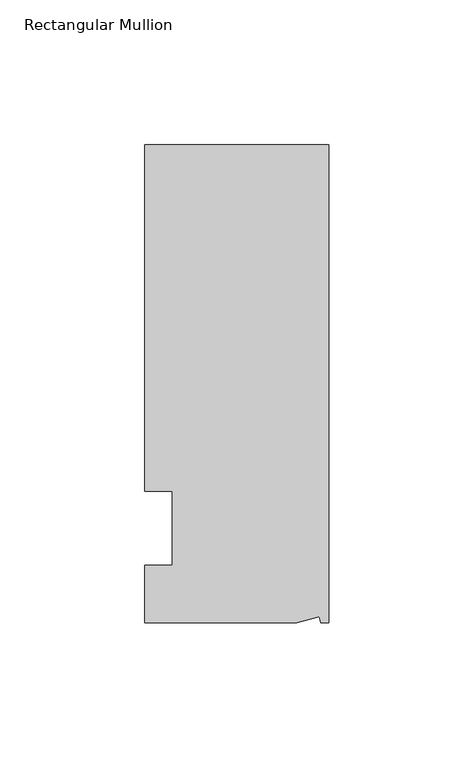
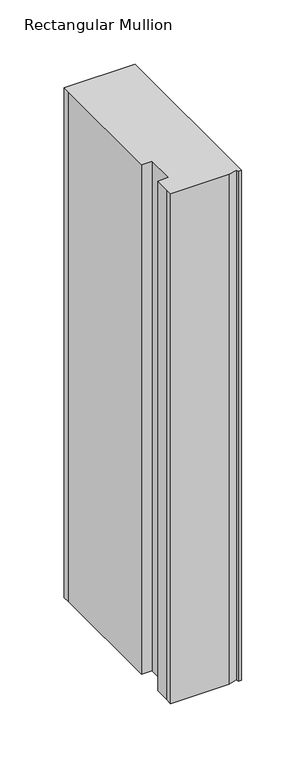
"""IFC4 building model written with IfcOpenShell, lengths in millimetres: member geometry, Rectangular Mullion."""

import ifcopenshell
import ifcopenshell.guid

model = None  # the IFC model being written
_history = None  # IfcOwnerHistory: only IFC2X3 demands one
_inside = {}  # id of a spatial element -> (the spatial element, [elements in it])
_under = {}  # id of a project, library or spatial element -> (it, [spatial elements below it])
_declared = {}  # id of a project -> (the project, [libraries it declares])
_typed = {}  # id of a type object -> (the type object, [elements of that type])
_made_of = {}  # id of a material, layer set ... -> (it, [elements and type objects made of it])


def new_model(schema):
    """Start an empty IFC model of exactly this schema.

    Asked for "IFC4X3", IfcOpenShell would pick the latest addendum, in which some entities
    have other attributes; the version numbers below select the first issue.
    IFC2X3 requires an IfcOwnerHistory on every rooted entity: one is made here for all.
    """
    global model, _history
    if schema == "IFC4X3":
        model = ifcopenshell.file(schema_version=(4, 3, 0, 0))
    else:
        model = ifcopenshell.file(schema=schema)
    _inside.clear()
    _under.clear()
    _declared.clear()
    _typed.clear()
    _made_of.clear()
    _history = None
    if model.schema == "IFC2X3":
        org = make("IfcOrganization", Name="unknown")
        user = make(
            "IfcPersonAndOrganization",
            ThePerson=make("IfcPerson", FamilyName="unknown"),
            TheOrganization=org,
        )
        app = make(
            "IfcApplication",
            ApplicationDeveloper=org,
            Version="unknown",
            ApplicationFullName="unknown",
            ApplicationIdentifier="unknown",
        )
        _history = make(
            "IfcOwnerHistory",
            OwningUser=user,
            OwningApplication=app,
            ChangeAction="ADDED",
            CreationDate=0,
        )
    return model


def make(cls, **values):
    """One entity of the class cls with the attributes given. An attribute that is None is left unset."""
    return model.create_entity(
        cls, **{name: value for name, value in values.items() if value is not None}
    )


def rooted(cls, **values):
    """An entity with a GlobalId (a new one), such as an element, a storey or a relation."""
    return make(cls, GlobalId=ifcopenshell.guid.new(), OwnerHistory=_history, **values)


def si_unit(unit_type, name, prefix=None):
    """IfcSIUnit, for example si_unit("LENGTHUNIT", "METRE", prefix="MILLI")."""
    return make("IfcSIUnit", UnitType=unit_type, Prefix=prefix, Name=name)


def assignment(units):
    """IfcUnitAssignment: the units of a project."""
    return None if units is None else make("IfcUnitAssignment", Units=units)


def point(xyz):
    """IfcCartesianPoint."""
    return None if xyz is None else make("IfcCartesianPoint", Coordinates=xyz)


def direction(xyz):
    """IfcDirection."""
    return None if xyz is None else make("IfcDirection", DirectionRatios=xyz)


def frame(location, z_axis=None, x_axis=None):
    """IfcAxis2Placement3D, a coordinate frame: its origin and axes. An axis left out is left unset."""
    return make(
        "IfcAxis2Placement3D",
        Location=point(location),
        Axis=direction(z_axis),
        RefDirection=direction(x_axis),
    )


def origin():
    """The frame at (0, 0, 0) with its axes left unset."""
    return frame((0.0, 0.0, 0.0))


def place(relative_to, where):
    """IfcLocalPlacement: puts the frame where relative to a parent placement (None: the world)."""
    return make(
        "IfcLocalPlacement", PlacementRelTo=relative_to, RelativePlacement=where
    )


def context(
    kind, dimensions, precision=None, world=None, true_north=None, identifier=None
):
    """IfcGeometricRepresentationContext, for example the 3D "Model" context."""
    return make(
        "IfcGeometricRepresentationContext",
        ContextIdentifier=identifier,
        ContextType=kind,
        CoordinateSpaceDimension=dimensions,
        Precision=precision,
        WorldCoordinateSystem=world,
        TrueNorth=true_north,
    )


def project(units=None, contexts=None):
    """IfcProject with its units and contexts."""
    return rooted(
        "IfcProject",
        Name="project",
        RepresentationContexts=contexts,
        UnitsInContext=assignment(units),
    )


def spatial(cls, under=None, at=None, **own):
    """A site, building, storey or space (cls), placed at a placement, below another one or the project."""
    s = rooted(cls, ObjectPlacement=at, **own)
    if under is not None:
        _under.setdefault(under.id(), (under, []))[1].append(s)
    return s


def faces_of(points, faces, orient=None, outer=None):
    """IfcFace entities. A face is a list of loops; a loop is a list of indices into points, from 0.

    orient and outer hold one flag for each loop. By default every Orientation is true, the
    first loop of a face is its IfcFaceOuterBound and the others are IfcFaceBound.
    """
    made = []
    for i, loops in enumerate(faces):
        bounds = []
        for j, loop in enumerate(loops):
            is_outer = j == 0 if outer is None else outer[i][j]
            bounds.append(
                make(
                    "IfcFaceOuterBound" if is_outer else "IfcFaceBound",
                    Bound=make("IfcPolyLoop", Polygon=[points[k] for k in loop]),
                    Orientation=True if orient is None else orient[i][j],
                )
            )
        made.append(make("IfcFace", Bounds=bounds))
    return made


def faceted_brep(points, faces, orient=None, outer=None, voids=None):
    """IfcFacetedBrep: a solid bounded by flat faces; with voids (closed shells), ...WithVoids."""
    shared = [point(p) for p in points]
    hull = make("IfcClosedShell", CfsFaces=faces_of(shared, faces, orient, outer))
    if voids is None:
        return make("IfcFacetedBrep", Outer=hull)
    return make(
        "IfcFacetedBrepWithVoids",
        Outer=hull,
        Voids=[
            make(cls, CfsFaces=faces_of(shared, fs, o, b)) for cls, fs, o, b in voids
        ],
    )


def shape(context_of_items, identifier, shape_type, items):
    """IfcShapeRepresentation: the items that make up one representation, for example the "Body"."""
    return make(
        "IfcShapeRepresentation",
        ContextOfItems=context_of_items,
        RepresentationIdentifier=identifier,
        RepresentationType=shape_type,
        Items=items,
    )


def source(mapping_origin, context_of_items, identifier, shape_type, items):
    """IfcRepresentationMap: a shape defined once, which mapped items show again and again."""
    return make(
        "IfcRepresentationMap",
        MappingOrigin=mapping_origin,
        MappedRepresentation=shape(context_of_items, identifier, shape_type, items),
    )


def transform(
    local_origin,
    x_axis=None,
    y_axis=None,
    z_axis=None,
    scale=None,
    scale2=None,
    scale3=None,
    uniform=True,
):
    """IfcCartesianTransformationOperator3D, or its non-uniform kind. x_axis, y_axis, z_axis: its Axis1, 2, 3."""
    if uniform:
        return make(
            "IfcCartesianTransformationOperator3D",
            Axis1=direction(x_axis),
            Axis2=direction(y_axis),
            LocalOrigin=point(local_origin),
            Scale=scale,
            Axis3=direction(z_axis),
        )
    return make(
        "IfcCartesianTransformationOperator3DnonUniform",
        Axis1=direction(x_axis),
        Axis2=direction(y_axis),
        LocalOrigin=point(local_origin),
        Scale=scale,
        Axis3=direction(z_axis),
        Scale2=scale2,
        Scale3=scale3,
    )


def mapped(mapping_source, mapping_target):
    """IfcMappedItem: shows the shape of a source again, moved by a transform."""
    return make(
        "IfcMappedItem", MappingSource=mapping_source, MappingTarget=mapping_target
    )


def made_of(thing, what):
    """Note that an element or type object is made of a material, layer set ...; save() writes the relation."""
    if what is not None:
        _made_of.setdefault(what.id(), (what, []))[1].append(thing)
    return thing


def element(
    cls,
    number,
    at=None,
    inside=None,
    cuts=None,
    type_object=None,
    material=None,
    context=None,
    identifier="Body",
    shape_type=None,
    held_by="IfcProductDefinitionShape",
    body=None,
    shapes=None,
    **own,
):
    """One element of the class cls, such as IfcWall. Its Tag is "e" and its number.

    at: its placement. inside: the storey or other place that contains it. cuts: it is an
    opening in that element (IfcRelVoidsElement). A single representation is given by context,
    identifier, shape_type and body (its items); several are given by shapes. held_by: the class
    of the entity that holds the representations. save() writes the other relations.
    """
    e = rooted(cls, Tag="e%d" % number, ObjectPlacement=at, **own)
    if body is not None:
        shapes = [shape(context, identifier, shape_type, body)]
    if shapes is not None:
        e.Representation = make(held_by, Representations=shapes)
    if inside is not None:
        _inside.setdefault(inside.id(), (inside, []))[1].append(e)
    if cuts is not None:
        rooted(
            "IfcRelVoidsElement", RelatingBuildingElement=cuts, RelatedOpeningElement=e
        )
    if type_object is not None:
        _typed.setdefault(type_object.id(), (type_object, []))[1].append(e)
    return made_of(e, material)


def aggregate(whole, parts):
    """IfcRelAggregates: a whole, such as a stair, and the parts it consists of."""
    return rooted("IfcRelAggregates", RelatingObject=whole, RelatedObjects=parts)


def save(model, path):
    """Write the relations noted so far, then the file.

    IfcRelAggregates (storeys below a building ...), IfcRelContainedInSpatialStructure (elements
    in a storey), IfcRelDefinesByType, IfcRelAssociatesMaterial and IfcRelDeclares: one each for
    every whole, place, type object, material and project.
    """
    for whole, parts in _under.values():
        aggregate(whole, parts)
    for where, things in _inside.values():
        rooted(
            "IfcRelContainedInSpatialStructure",
            RelatedElements=things,
            RelatingStructure=where,
        )
    for kind, things in _typed.values():
        rooted("IfcRelDefinesByType", RelatedObjects=things, RelatingType=kind)
    for what, things in _made_of.values():
        rooted("IfcRelAssociatesMaterial", RelatedObjects=things, RelatingMaterial=what)
    for by, libraries in _declared.values():
        rooted("IfcRelDeclares", RelatingContext=by, RelatedDefinitions=libraries)
    model.write(path)


def rectangular_mullion_5ead94a4(model_context):
    return source(origin(), model_context, "Body", "Brep", [
        faceted_brep([(0.0, 132.5561012, 0.0), (-63.5, 132.5561012, 0.0), (-63.5, 126.2061012, 0.0), (-63.5, 12.8488281, 0.0), (-53.975, 12.8488281, 0.0), (-53.975, -12.7, 0.0), (-63.5, -12.7, 0.0), (-63.5, -26.1938988, 0.0), (-63.5076469, -32.5438988, 0.0), (-11.1125, -32.5438988, 0.0), (-3.3223696, -30.4565397, 0.0), (-2.7630634, -32.5438988, 0.0), (0.0, -32.5438988, 0.0), (0.0, 132.5561012, -482.6), (0.0, -32.5438988, -482.6), (-2.7630634, -32.5438988, -482.6), (-3.3223696, -30.4565397, -482.6), (-11.1125, -32.5438988, -482.6), (-63.5076469, -32.5438988, -482.6), (-63.5076469, -26.1938988, -482.6), (-63.5, -12.7, -482.6), (-53.975, -12.7, -482.6), (-53.975, 12.8488281, -482.6), (-63.5, 12.8488281, -482.6), (-63.5, 126.2061012, -482.6), (-63.5, 132.5561012, -482.6)], [[[0, 1, 2, 3, 4, 5, 6, 7, 8, 9, 10, 11, 12]], [[13, 14, 15, 16, 17, 18, 19, 20, 21, 22, 23, 24, 25]], [[0, 12, 14, 13]], [[1, 0, 13, 25]], [[3, 2, 24, 23]], [[4, 3, 23, 22]], [[5, 4, 22, 21]], [[6, 5, 21, 20]], [[7, 6, 20, 19]], [[9, 8, 18, 17]], [[10, 9, 17, 16]], [[11, 10, 16, 15]], [[12, 11, 15, 14]], [[2, 1, 25, 24]], [[8, 7, 19, 18]]]),
    ])


if __name__ == "__main__":
    model = new_model("IFC4")
    model_context = context("Model", 3, world=origin())
    ifc_project = project(units=[si_unit("LENGTHUNIT", "METRE", prefix="MILLI")], contexts=[model_context])
    site = spatial("IfcSite", under=ifc_project)
    building = spatial("IfcBuilding", under=site)
    placement = place(None, origin())
    rectangular_mullion_shape = rectangular_mullion_5ead94a4(model_context)
    element("IfcMember", 1, ObjectType="Rectangular Mullion", at=placement, inside=building, context=model_context, shape_type="MappedRepresentation", body=[
        mapped(rectangular_mullion_shape, transform((0.0, 0.0, 0.0), x_axis=(1.0, 0.0, 0.0), y_axis=(0.0, 1.0, 0.0), z_axis=(0.0, 0.0, 1.0))),
    ])
    save(model, "model.ifc")
